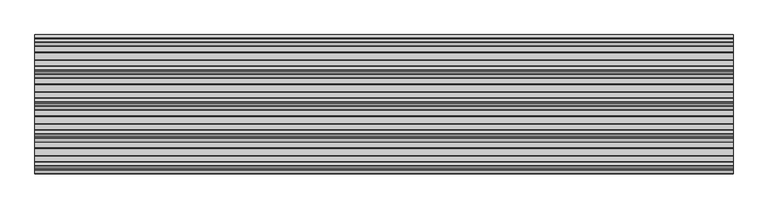
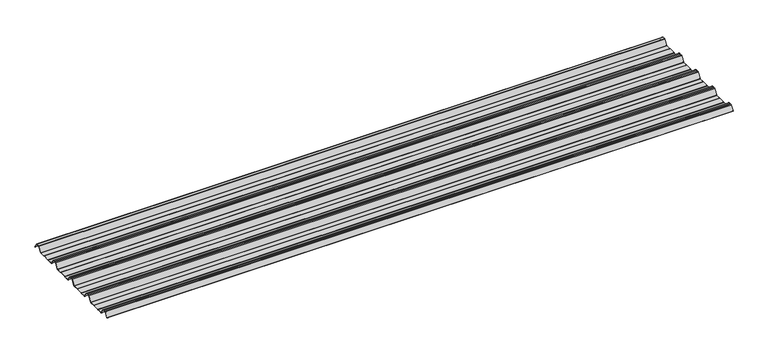
"""IFC4 building model written with IfcOpenShell, lengths in millimetres: beam geometry."""

from ifc_helpers import new_model, si_unit, point, frame, frame_2d, origin, place, context, project, spatial, polyline, circle_curve, trimmed, segment, composite_curve, outline, extrude, source, transform, mapped, element, save


def beam_0379977e(model_context):
    return source(origin(), model_context, "Body", "SweptSolid", [
        extrude(outline(composite_curve([segment(trimmed(circle_curve(frame_2d((-42.8221294, -22.7927378)), 1.9969096), [point((-42.8221294, -24.7896475))], [point((-41.1570881, -23.8951378))], True, "CARTESIAN"), True, "CONTINUOUS"), segment(polyline([(-41.1570881, -23.8951378), (-15.2135106, 15.2894853)]), True, "CONTINUOUS"), segment(trimmed(circle_curve(frame_2d((-11.5, 12.6603525)), 4.55), [point((-15.2135106, 15.2894853))], [point((-11.5, 17.2103525))], False, "CARTESIAN"), True, "CONTINUOUS"), segment(polyline([(-11.5, 17.2103525), (11.5, 17.2103525)]), True, "CONTINUOUS"), segment(trimmed(circle_curve(frame_2d((11.5, 12.6603525)), 4.55), [point((11.5, 17.2103525))], [point((15.2135106, 15.2894853))], False, "CARTESIAN"), True, "CONTINUOUS"), segment(polyline([(15.2135106, 15.2894853), (40.2177712, -22.4764137)]), True, "CONTINUOUS"), segment(trimmed(circle_curve(frame_2d((39.8008667, -22.7524402)), 0.5), [point((40.2177712, -22.4764137))], [point((39.3839622, -23.0284667))], False, "CARTESIAN"), True, "CONTINUOUS"), segment(polyline([(39.3839622, -23.0284667), (14.3888612, 14.7235977)]), True, "CONTINUOUS"), segment(trimmed(circle_curve(frame_2d((11.5, 12.6603525)), 3.55), [point((14.3888612, 14.7235977))], [point((11.5, 16.2103525))], True, "CARTESIAN"), True, "CONTINUOUS"), segment(polyline([(11.5, 16.2103525), (-11.5, 16.2103525)]), True, "CONTINUOUS"), segment(trimmed(circle_curve(frame_2d((-11.5, 12.6603525)), 3.55), [point((-11.5, 16.2103525))], [point((-14.3888612, 14.7235977))], True, "CARTESIAN"), True, "CONTINUOUS"), segment(polyline([(-14.3888612, 14.7235977), (-40.3232791, -24.4471908)]), True, "CONTINUOUS"), segment(trimmed(circle_curve(frame_2d((-42.8221294, -22.7927378)), 2.9969096), [point((-40.3232791, -24.4471908))], [point((-42.8221294, -25.7896475))], False, "CARTESIAN"), True, "CONTINUOUS"), segment(polyline([(-42.8221294, -25.7896475), (-85.388552, -25.7896475)]), True, "CONTINUOUS"), segment(trimmed(circle_curve(frame_2d((-85.388552, -24.3396475)), 1.45), [point((-85.388552, -25.7896475))], [point((-86.3205937, -25.4504122))], False, "CARTESIAN"), True, "CONTINUOUS"), segment(polyline([(-86.3205937, -25.4504122), (-87.5888326, -24.386234)]), True, "CONTINUOUS"), segment(trimmed(circle_curve(frame_2d((-89.2279412, -26.3396487)), 2.5500012), [point((-87.5888326, -24.386234))], [point((-89.2279412, -23.7896475))], True, "CARTESIAN"), True, "CONTINUOUS"), segment(polyline([(-89.2279412, -23.7896475), (-143.2720588, -23.7896475)]), True, "CONTINUOUS"), segment(trimmed(circle_curve(frame_2d((-143.2720588, -26.3396487)), 2.5500012), [point((-143.2720588, -23.7896475))], [point((-144.9111674, -24.386234))], True, "CARTESIAN"), True, "CONTINUOUS"), segment(polyline([(-144.9111674, -24.386234), (-146.1794063, -25.4504122)]), True, "CONTINUOUS"), segment(trimmed(circle_curve(frame_2d((-147.111448, -24.3396475)), 1.45), [point((-146.1794063, -25.4504122))], [point((-147.111448, -25.7896475))], False, "CARTESIAN"), True, "CONTINUOUS"), segment(polyline([(-147.111448, -25.7896475), (-186.4999995, -25.7896475)]), True, "CONTINUOUS"), segment(trimmed(circle_curve(frame_2d((-186.4999995, -21.3396478)), 4.4499996), [point((-186.4999995, -25.7896475))], [point((-190.1531515, -23.8807062))], False, "CARTESIAN"), True, "CONTINUOUS"), segment(polyline([(-190.1531515, -23.8807062), (-216.4608773, 15.8539187)]), True, "CONTINUOUS"), segment(trimmed(circle_curve(frame_2d((-221.0, 12.6603525)), 5.55), [point((-216.4608773, 15.8539187))], [point((-221.0, 18.2103525))], True, "CARTESIAN"), True, "CONTINUOUS"), segment(polyline([(-221.0, 18.2103525), (-232.5, 18.2103525), (-244.0, 18.2103525)]), True, "CONTINUOUS"), segment(trimmed(circle_curve(frame_2d((-244.0, 12.6603525)), 5.55), [point((-244.0, 18.2103525))], [point((-248.5391227, 15.8539187))], True, "CARTESIAN"), True, "CONTINUOUS"), segment(polyline([(-248.5391227, 15.8539187), (-274.8468485, -23.8807062)]), True, "CONTINUOUS"), segment(trimmed(circle_curve(frame_2d((-278.5000005, -21.3396478)), 4.4499996), [point((-274.8468485, -23.8807062))], [point((-278.5000005, -25.7896475))], False, "CARTESIAN"), True, "CONTINUOUS"), segment(polyline([(-278.5000005, -25.7896475), (-317.888552, -25.7896475)]), True, "CONTINUOUS"), segment(trimmed(circle_curve(frame_2d((-317.888552, -24.3396475)), 1.45), [point((-317.888552, -25.7896475))], [point((-318.8205937, -25.4504122))], False, "CARTESIAN"), True, "CONTINUOUS"), segment(polyline([(-318.8205937, -25.4504122), (-320.0888326, -24.386234)]), True, "CONTINUOUS"), segment(trimmed(circle_curve(frame_2d((-321.7279412, -26.3396487)), 2.5500012), [point((-320.0888326, -24.386234))], [point((-321.7279412, -23.7896475))], True, "CARTESIAN"), True, "CONTINUOUS"), segment(polyline([(-321.7279412, -23.7896475), (-375.7720588, -23.7896475)]), True, "CONTINUOUS"), segment(trimmed(circle_curve(frame_2d((-375.7720588, -26.3396487)), 2.5500012), [point((-375.7720588, -23.7896475))], [point((-377.4111674, -24.386234))], True, "CARTESIAN"), True, "CONTINUOUS"), segment(polyline([(-377.4111674, -24.386234), (-378.6794063, -25.4504122)]), True, "CONTINUOUS"), segment(trimmed(circle_curve(frame_2d((-379.611448, -24.3396475)), 1.45), [point((-378.6794063, -25.4504122))], [point((-379.611448, -25.7896475))], False, "CARTESIAN"), True, "CONTINUOUS"), segment(polyline([(-379.611448, -25.7896475), (-418.9999995, -25.7896475)]), True, "CONTINUOUS"), segment(trimmed(circle_curve(frame_2d((-418.9999995, -21.3396478)), 4.4499996), [point((-418.9999995, -25.7896475))], [point((-422.6531515, -23.8807062))], False, "CARTESIAN"), True, "CONTINUOUS"), segment(polyline([(-422.6531515, -23.8807062), (-448.9608773, 15.8539187)]), True, "CONTINUOUS"), segment(trimmed(circle_curve(frame_2d((-453.5, 12.6603525)), 5.55), [point((-448.9608773, 15.8539187))], [point((-453.5, 18.2103525))], True, "CARTESIAN"), True, "CONTINUOUS"), segment(polyline([(-453.5, 18.2103525), (-465.0, 18.2103525), (-476.5, 18.2103525)]), True, "CONTINUOUS"), segment(trimmed(circle_curve(frame_2d((-476.5, 12.6603525)), 5.55), [point((-476.5, 18.2103525))], [point((-481.0391227, 15.8539187))], True, "CARTESIAN"), True, "CONTINUOUS"), segment(polyline([(-481.0391227, 15.8539187), (-507.3468485, -23.8807062)]), True, "CONTINUOUS"), segment(trimmed(circle_curve(frame_2d((-511.0000005, -21.3396478)), 4.4499996), [point((-507.3468485, -23.8807062))], [point((-511.0000005, -25.7896475))], False, "CARTESIAN"), True, "CONTINUOUS"), segment(polyline([(-511.0000005, -25.7896475), (-550.388552, -25.7896475)]), True, "CONTINUOUS"), segment(trimmed(circle_curve(frame_2d((-550.388552, -24.3396475)), 1.45), [point((-550.388552, -25.7896475))], [point((-551.3205937, -25.4504122))], False, "CARTESIAN"), True, "CONTINUOUS"), segment(polyline([(-551.3205937, -25.4504122), (-552.5888326, -24.386234)]), True, "CONTINUOUS"), segment(trimmed(circle_curve(frame_2d((-554.2279412, -26.3396487)), 2.5500012), [point((-552.5888326, -24.386234))], [point((-554.2279412, -23.7896475))], True, "CARTESIAN"), True, "CONTINUOUS"), segment(polyline([(-554.2279412, -23.7896475), (-608.2720588, -23.7896475)]), True, "CONTINUOUS"), segment(trimmed(circle_curve(frame_2d((-608.2720588, -26.3396487)), 2.5500012), [point((-608.2720588, -23.7896475))], [point((-609.9111674, -24.386234))], True, "CARTESIAN"), True, "CONTINUOUS"), segment(polyline([(-609.9111674, -24.386234), (-611.1794063, -25.4504122)]), True, "CONTINUOUS"), segment(trimmed(circle_curve(frame_2d((-612.111448, -24.3396475)), 1.45), [point((-611.1794063, -25.4504122))], [point((-612.111448, -25.7896475))], False, "CARTESIAN"), True, "CONTINUOUS"), segment(polyline([(-612.111448, -25.7896475), (-651.4999995, -25.7896475)]), True, "CONTINUOUS"), segment(trimmed(circle_curve(frame_2d((-651.4999995, -21.3396478)), 4.4499996), [point((-651.4999995, -25.7896475))], [point((-655.1531515, -23.8807062))], False, "CARTESIAN"), True, "CONTINUOUS"), segment(polyline([(-655.1531515, -23.8807062), (-681.4608773, 15.8539187)]), True, "CONTINUOUS"), segment(trimmed(circle_curve(frame_2d((-686.0, 12.6603525)), 5.55), [point((-681.4608773, 15.8539187))], [point((-686.0, 18.2103525))], True, "CARTESIAN"), True, "CONTINUOUS"), segment(polyline([(-686.0, 18.2103525), (-697.5, 18.2103525), (-709.0, 18.2103525)]), True, "CONTINUOUS"), segment(trimmed(circle_curve(frame_2d((-709.0, 12.6603525)), 5.55), [point((-709.0, 18.2103525))], [point((-713.5391227, 15.8539187))], True, "CARTESIAN"), True, "CONTINUOUS"), segment(polyline([(-713.5391227, 15.8539187), (-739.8468485, -23.8807062)]), True, "CONTINUOUS"), segment(trimmed(circle_curve(frame_2d((-743.5000005, -21.3396478)), 4.4499996), [point((-739.8468485, -23.8807062))], [point((-743.5000005, -25.7896475))], False, "CARTESIAN"), True, "CONTINUOUS"), segment(polyline([(-743.5000005, -25.7896475), (-782.888552, -25.7896475)]), True, "CONTINUOUS"), segment(trimmed(circle_curve(frame_2d((-782.888552, -24.3396475)), 1.45), [point((-782.888552, -25.7896475))], [point((-783.8205937, -25.4504122))], False, "CARTESIAN"), True, "CONTINUOUS"), segment(polyline([(-783.8205937, -25.4504122), (-785.0888326, -24.386234)]), True, "CONTINUOUS"), segment(trimmed(circle_curve(frame_2d((-786.7279412, -26.3396487)), 2.5500012), [point((-785.0888326, -24.386234))], [point((-786.7279412, -23.7896475))], True, "CARTESIAN"), True, "CONTINUOUS"), segment(polyline([(-786.7279412, -23.7896475), (-840.7720588, -23.7896475)]), True, "CONTINUOUS"), segment(trimmed(circle_curve(frame_2d((-840.7720588, -26.3396487)), 2.5500012), [point((-840.7720588, -23.7896475))], [point((-842.4111674, -24.386234))], True, "CARTESIAN"), True, "CONTINUOUS"), segment(polyline([(-842.4111674, -24.386234), (-843.6794063, -25.4504122)]), True, "CONTINUOUS"), segment(trimmed(circle_curve(frame_2d((-844.611448, -24.3396475)), 1.45), [point((-843.6794063, -25.4504122))], [point((-844.611448, -25.7896475))], False, "CARTESIAN"), True, "CONTINUOUS"), segment(polyline([(-844.611448, -25.7896475), (-883.9999995, -25.7896475)]), True, "CONTINUOUS"), segment(trimmed(circle_curve(frame_2d((-883.9999995, -21.3396478)), 4.4499996), [point((-883.9999995, -25.7896475))], [point((-887.6531515, -23.8807062))], False, "CARTESIAN"), True, "CONTINUOUS"), segment(polyline([(-887.6531515, -23.8807062), (-913.9608773, 15.8539187)]), True, "CONTINUOUS"), segment(trimmed(circle_curve(frame_2d((-918.5, 12.6603525)), 5.55), [point((-913.9608773, 15.8539187))], [point((-918.5, 18.2103525))], True, "CARTESIAN"), True, "CONTINUOUS"), segment(polyline([(-918.5, 18.2103525), (-930.0, 18.2103525), (-941.5, 18.2103525)]), True, "CONTINUOUS"), segment(trimmed(circle_curve(frame_2d((-941.5, 12.6603525)), 5.55), [point((-941.5, 18.2103525))], [point((-946.0391227, 15.8539187))], True, "CARTESIAN"), True, "CONTINUOUS"), segment(polyline([(-946.0391227, 15.8539187), (-969.9715304, -20.2930766)]), True, "CONTINUOUS"), segment(trimmed(circle_curve(frame_2d((-970.3884349, -20.0170501)), 0.5), [point((-969.9715304, -20.2930766))], [point((-970.8053395, -19.7410236))], False, "CARTESIAN"), True, "CONTINUOUS"), segment(polyline([(-970.8053395, -19.7410236), (-946.8654458, 16.4172784)]), True, "CONTINUOUS"), segment(trimmed(circle_curve(frame_2d((-941.5, 12.6603525)), 6.55), [point((-946.8654458, 16.4172784))], [point((-941.5, 19.2103525))], False, "CARTESIAN"), True, "CONTINUOUS"), segment(polyline([(-941.5, 19.2103525), (-930.0, 19.2103525), (-918.5, 19.2103525)]), True, "CONTINUOUS"), segment(trimmed(circle_curve(frame_2d((-918.5, 12.6603525)), 6.55), [point((-918.5, 19.2103525))], [point((-913.1345542, 16.4172784))], False, "CARTESIAN"), True, "CONTINUOUS"), segment(polyline([(-913.1345542, 16.4172784), (-886.8260739, -23.3184861)]), True, "CONTINUOUS"), segment(trimmed(circle_curve(frame_2d((-883.9999995, -21.3396478)), 3.4499996), [point((-886.8260739, -23.3184861))], [point((-883.9999995, -24.7896475))], True, "CARTESIAN"), True, "CONTINUOUS"), segment(polyline([(-883.9999995, -24.7896475), (-844.8915726, -24.7896475)]), True, "CONTINUOUS"), segment(trimmed(circle_curve(frame_2d((-844.8915726, -23.5700111)), 1.2196364), [point((-844.8915726, -24.7896475))], [point((-844.1076057, -24.504307))], True, "CARTESIAN"), True, "CONTINUOUS"), segment(polyline([(-844.1076057, -24.504307), (-843.0539548, -23.6201894)]), True, "CONTINUOUS"), segment(trimmed(circle_curve(frame_2d((-840.7720588, -26.3396487)), 3.5500012), [point((-843.0539548, -23.6201894))], [point((-840.7720588, -22.7896475))], False, "CARTESIAN"), True, "CONTINUOUS"), segment(polyline([(-840.7720588, -22.7896475), (-786.7279412, -22.7896475)]), True, "CONTINUOUS"), segment(trimmed(circle_curve(frame_2d((-786.7279412, -26.3396487)), 3.5500012), [point((-786.7279412, -22.7896475))], [point((-784.4460452, -23.6201894))], False, "CARTESIAN"), True, "CONTINUOUS"), segment(polyline([(-784.4460452, -23.6201894), (-783.3923943, -24.504307)]), True, "CONTINUOUS"), segment(trimmed(circle_curve(frame_2d((-782.6084274, -23.5700111)), 1.2196364), [point((-783.3923943, -24.504307))], [point((-782.6084274, -24.7896475))], True, "CARTESIAN"), True, "CONTINUOUS"), segment(polyline([(-782.6084274, -24.7896475), (-743.5000005, -24.7896475)]), True, "CONTINUOUS"), segment(trimmed(circle_curve(frame_2d((-743.5000005, -21.3396478)), 3.4499996), [point((-743.5000005, -24.7896475))], [point((-740.6739261, -23.3184861))], True, "CARTESIAN"), True, "CONTINUOUS"), segment(polyline([(-740.6739261, -23.3184861), (-714.3654458, 16.4172784)]), True, "CONTINUOUS"), segment(trimmed(circle_curve(frame_2d((-709.0, 12.6603525)), 6.55), [point((-714.3654458, 16.4172784))], [point((-709.0, 19.2103525))], False, "CARTESIAN"), True, "CONTINUOUS"), segment(polyline([(-709.0, 19.2103525), (-697.5, 19.2103525), (-686.0, 19.2103525)]), True, "CONTINUOUS"), segment(trimmed(circle_curve(frame_2d((-686.0, 12.6603525)), 6.55), [point((-686.0, 19.2103525))], [point((-680.6345542, 16.4172784))], False, "CARTESIAN"), True, "CONTINUOUS"), segment(polyline([(-680.6345542, 16.4172784), (-654.3260739, -23.3184861)]), True, "CONTINUOUS"), segment(trimmed(circle_curve(frame_2d((-651.4999995, -21.3396478)), 3.4499996), [point((-654.3260739, -23.3184861))], [point((-651.4999995, -24.7896475))], True, "CARTESIAN"), True, "CONTINUOUS"), segment(polyline([(-651.4999995, -24.7896475), (-612.3915726, -24.7896475)]), True, "CONTINUOUS"), segment(trimmed(circle_curve(frame_2d((-612.3915726, -23.5700111)), 1.2196364), [point((-612.3915726, -24.7896475))], [point((-611.6076057, -24.504307))], True, "CARTESIAN"), True, "CONTINUOUS"), segment(polyline([(-611.6076057, -24.504307), (-610.5539548, -23.6201894)]), True, "CONTINUOUS"), segment(trimmed(circle_curve(frame_2d((-608.2720588, -26.3396487)), 3.5500012), [point((-610.5539548, -23.6201894))], [point((-608.2720588, -22.7896475))], False, "CARTESIAN"), True, "CONTINUOUS"), segment(polyline([(-608.2720588, -22.7896475), (-554.2279412, -22.7896475)]), True, "CONTINUOUS"), segment(trimmed(circle_curve(frame_2d((-554.2279412, -26.3396487)), 3.5500012), [point((-554.2279412, -22.7896475))], [point((-551.9460452, -23.6201894))], False, "CARTESIAN"), True, "CONTINUOUS"), segment(polyline([(-551.9460452, -23.6201894), (-550.8923943, -24.504307)]), True, "CONTINUOUS"), segment(trimmed(circle_curve(frame_2d((-550.1084274, -23.5700111)), 1.2196364), [point((-550.8923943, -24.504307))], [point((-550.1084274, -24.7896475))], True, "CARTESIAN"), True, "CONTINUOUS"), segment(polyline([(-550.1084274, -24.7896475), (-511.0000005, -24.7896475)]), True, "CONTINUOUS"), segment(trimmed(circle_curve(frame_2d((-511.0000005, -21.3396478)), 3.4499996), [point((-511.0000005, -24.7896475))], [point((-508.1739261, -23.3184861))], True, "CARTESIAN"), True, "CONTINUOUS"), segment(polyline([(-508.1739261, -23.3184861), (-481.8654458, 16.4172784)]), True, "CONTINUOUS"), segment(trimmed(circle_curve(frame_2d((-476.5, 12.6603525)), 6.55), [point((-481.8654458, 16.4172784))], [point((-476.5, 19.2103525))], False, "CARTESIAN"), True, "CONTINUOUS"), segment(polyline([(-476.5, 19.2103525), (-465.0, 19.2103525), (-453.5, 19.2103525)]), True, "CONTINUOUS"), segment(trimmed(circle_curve(frame_2d((-453.5, 12.6603525)), 6.55), [point((-453.5, 19.2103525))], [point((-448.1345542, 16.4172784))], False, "CARTESIAN"), True, "CONTINUOUS"), segment(polyline([(-448.1345542, 16.4172784), (-421.8260739, -23.3184861)]), True, "CONTINUOUS"), segment(trimmed(circle_curve(frame_2d((-418.9999995, -21.3396478)), 3.4499996), [point((-421.8260739, -23.3184861))], [point((-418.9999995, -24.7896475))], True, "CARTESIAN"), True, "CONTINUOUS"), segment(polyline([(-418.9999995, -24.7896475), (-379.8915726, -24.7896475)]), True, "CONTINUOUS"), segment(trimmed(circle_curve(frame_2d((-379.8915726, -23.5700111)), 1.2196364), [point((-379.8915726, -24.7896475))], [point((-379.1076057, -24.504307))], True, "CARTESIAN"), True, "CONTINUOUS"), segment(polyline([(-379.1076057, -24.504307), (-378.0539548, -23.6201894)]), True, "CONTINUOUS"), segment(trimmed(circle_curve(frame_2d((-375.7720588, -26.3396487)), 3.5500012), [point((-378.0539548, -23.6201894))], [point((-375.7720588, -22.7896475))], False, "CARTESIAN"), True, "CONTINUOUS"), segment(polyline([(-375.7720588, -22.7896475), (-321.7279412, -22.7896475)]), True, "CONTINUOUS"), segment(trimmed(circle_curve(frame_2d((-321.7279412, -26.3396487)), 3.5500012), [point((-321.7279412, -22.7896475))], [point((-319.4460452, -23.6201894))], False, "CARTESIAN"), True, "CONTINUOUS"), segment(polyline([(-319.4460452, -23.6201894), (-318.3923943, -24.504307)]), True, "CONTINUOUS"), segment(trimmed(circle_curve(frame_2d((-317.6084274, -23.5700111)), 1.2196364), [point((-318.3923943, -24.504307))], [point((-317.6084274, -24.7896475))], True, "CARTESIAN"), True, "CONTINUOUS"), segment(polyline([(-317.6084274, -24.7896475), (-278.5000005, -24.7896475)]), True, "CONTINUOUS"), segment(trimmed(circle_curve(frame_2d((-278.5000005, -21.3396478)), 3.4499996), [point((-278.5000005, -24.7896475))], [point((-275.6739261, -23.3184861))], True, "CARTESIAN"), True, "CONTINUOUS"), segment(polyline([(-275.6739261, -23.3184861), (-249.3654458, 16.4172784)]), True, "CONTINUOUS"), segment(trimmed(circle_curve(frame_2d((-244.0, 12.6603525)), 6.55), [point((-249.3654458, 16.4172784))], [point((-244.0, 19.2103525))], False, "CARTESIAN"), True, "CONTINUOUS"), segment(polyline([(-244.0, 19.2103525), (-232.5, 19.2103525), (-221.0, 19.2103525)]), True, "CONTINUOUS"), segment(trimmed(circle_curve(frame_2d((-221.0, 12.6603525)), 6.55), [point((-221.0, 19.2103525))], [point((-215.6345542, 16.4172784))], False, "CARTESIAN"), True, "CONTINUOUS"), segment(polyline([(-215.6345542, 16.4172784), (-189.3260739, -23.3184861)]), True, "CONTINUOUS"), segment(trimmed(circle_curve(frame_2d((-186.4999995, -21.3396478)), 3.4499996), [point((-189.3260739, -23.3184861))], [point((-186.4999995, -24.7896475))], True, "CARTESIAN"), True, "CONTINUOUS"), segment(polyline([(-186.4999995, -24.7896475), (-147.3915726, -24.7896475)]), True, "CONTINUOUS"), segment(trimmed(circle_curve(frame_2d((-147.3915726, -23.5700111)), 1.2196364), [point((-147.3915726, -24.7896475))], [point((-146.6076057, -24.504307))], True, "CARTESIAN"), True, "CONTINUOUS"), segment(polyline([(-146.6076057, -24.504307), (-145.5539548, -23.6201894)]), True, "CONTINUOUS"), segment(trimmed(circle_curve(frame_2d((-143.2720588, -26.3396487)), 3.5500012), [point((-145.5539548, -23.6201894))], [point((-143.2720588, -22.7896475))], False, "CARTESIAN"), True, "CONTINUOUS"), segment(polyline([(-143.2720588, -22.7896475), (-89.2279412, -22.7896475)]), True, "CONTINUOUS"), segment(trimmed(circle_curve(frame_2d((-89.2279412, -26.3396487)), 3.5500012), [point((-89.2279412, -22.7896475))], [point((-86.9460452, -23.6201894))], False, "CARTESIAN"), True, "CONTINUOUS"), segment(polyline([(-86.9460452, -23.6201894), (-85.8923943, -24.504307)]), True, "CONTINUOUS"), segment(trimmed(circle_curve(frame_2d((-85.1084274, -23.5700111)), 1.2196364), [point((-85.8923943, -24.504307))], [point((-85.1084274, -24.7896475))], True, "CARTESIAN"), True, "CONTINUOUS"), segment(polyline([(-85.1084274, -24.7896475), (-42.8221294, -24.7896475)]), True, "CONTINUOUS")], self_intersect=False)), frame((-2535.0, 0.0, 0.0), z_axis=(1.0, 0.0, 0.0), x_axis=(0.0, 1.0, 0.0)), (0.0, 0.0, 1.0), 5070.0),
    ])


if __name__ == "__main__":
    model = new_model("IFC4")
    model_context = context("Model", 3, world=origin())
    ifc_project = project(units=[si_unit("LENGTHUNIT", "METRE", prefix="MILLI")], contexts=[model_context])
    site = spatial("IfcSite", under=ifc_project)
    building = spatial("IfcBuilding", under=site)
    placement = place(None, origin())
    beam_shape = beam_0379977e(model_context)
    element("IfcBeam", 1, at=placement, inside=building, context=model_context, shape_type="MappedRepresentation", body=[
        mapped(beam_shape, transform((0.0, 0.0, 0.0), x_axis=(1.0, 0.0, 0.0), y_axis=(0.0, 1.0, 0.0), z_axis=(0.0, 0.0, 1.0))),
    ])
    save(model, "model.ifc")
